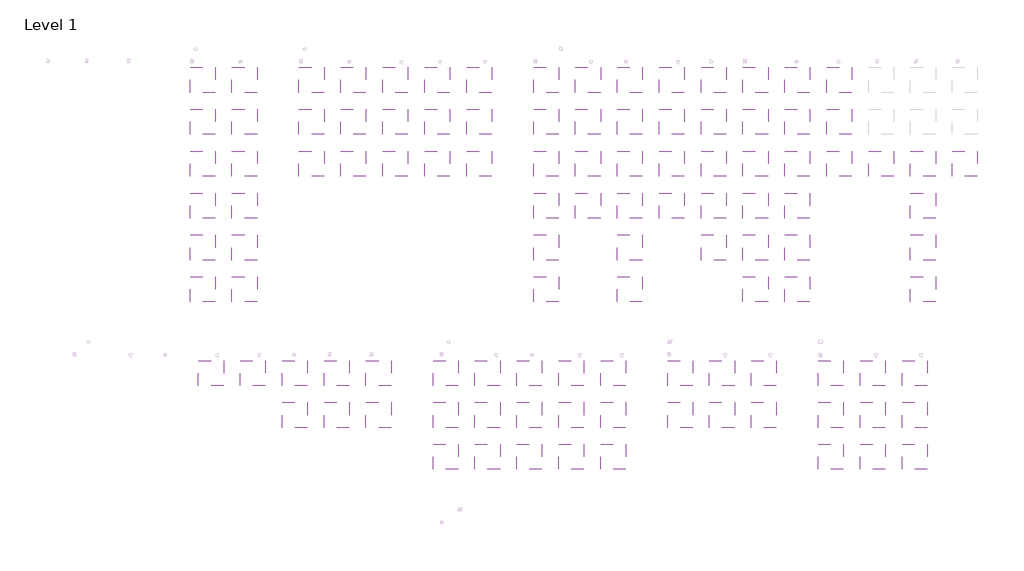
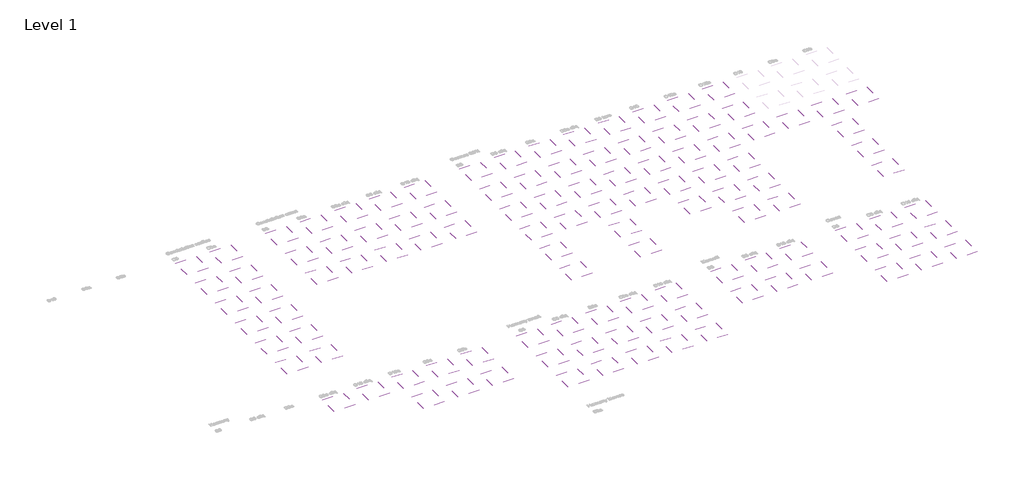
# One storey, part 10 of 90: 111 coverings.
"""IFC4 building model written with IfcOpenShell, lengths in millimetres."""

from ifc_helpers import new_model, si_unit, frame, origin, place, context, project, spatial, polyline, outline, extrude, element, save

model = new_model("IFC4")

# Units and contexts
model_context = context("Model", 3, world=origin())
ifc_project = project(units=[si_unit("LENGTHUNIT", "METRE", prefix="MILLI")], contexts=[model_context])

# Site, building, storey
site = spatial("IfcSite", under=ifc_project)
building = spatial("IfcBuilding", under=site)
storey = spatial("IfcBuildingStorey", under=building, Name="Level 1", Elevation=0.0)

# Coverings
placement = place(None, origin())
element("IfcCovering", 1, at=placement, inside=storey, context=model_context, shape_type="SweptSolid", body=[
    extrude(outline(polyline([(235041.3888175, 62503.2440705), (235041.3888175, 59503.2440705), (232041.3888175, 59503.2440705), (232041.3888175, 62503.2440705), (235041.3888175, 62503.2440705)])), frame((0.0, 0.0, 2600.0), z_axis=(0.0, 0.0, 1.0), x_axis=(1.0, 0.0, 0.0)), (0.0, 0.0, 1.0), 38.0),
])
element("IfcCovering", 2, at=placement, inside=storey, context=model_context, shape_type="SweptSolid", body=[
    extrude(outline(polyline([(235041.3888175, 52503.2440705), (235041.3888175, 49503.2440705), (232041.3888175, 49503.2440705), (232041.3888175, 52503.2440705), (235041.3888175, 52503.2440705)])), frame((0.0, 0.0, 2600.0), z_axis=(0.0, 0.0, 1.0), x_axis=(1.0, 0.0, 0.0)), (0.0, 0.0, 1.0), 38.0),
])
element("IfcCovering", 3, at=placement, inside=storey, context=model_context, shape_type="SweptSolid", body=[
    extrude(outline(polyline([(235041.3888175, 47503.2440705), (235041.3888175, 44503.2440705), (232041.3888175, 44503.2440705), (232041.3888175, 47503.2440705), (235041.3888175, 47503.2440705)])), frame((0.0, 0.0, 2600.0), z_axis=(0.0, 0.0, 1.0), x_axis=(1.0, 0.0, 0.0)), (0.0, 0.0, 1.0), 38.0),
])
element("IfcCovering", 4, at=placement, inside=storey, context=model_context, shape_type="SweptSolid", body=[
    extrude(outline(polyline([(235041.3888175, 37503.2440705), (235041.3888175, 34503.2440705), (232041.3888175, 34503.2440705), (232041.3888175, 37503.2440705), (235041.3888175, 37503.2440705)])), frame((0.0, 0.0, 2600.0), z_axis=(0.0, 0.0, 1.0), x_axis=(1.0, 0.0, 0.0)), (0.0, 0.0, 1.0), 38.0),
])
element("IfcCovering", 5, at=placement, inside=storey, context=model_context, shape_type="SweptSolid", body=[
    extrude(outline(polyline([(245041.3888175, 62503.2440705), (245041.3888175, 59503.2440705), (242041.3888175, 59503.2440705), (242041.3888175, 62503.2440705), (245041.3888175, 62503.2440705)])), frame((0.0, 0.0, 2600.0), z_axis=(0.0, 0.0, 1.0), x_axis=(1.0, 0.0, 0.0)), (0.0, 0.0, 1.0), 38.0),
])
element("IfcCovering", 6, at=placement, inside=storey, context=model_context, shape_type="SweptSolid", body=[
    extrude(outline(polyline([(245041.3888175, 52503.2440705), (245041.3888175, 49503.2440705), (242041.3888175, 49503.2440705), (242041.3888175, 52503.2440705), (245041.3888175, 52503.2440705)])), frame((0.0, 0.0, 2600.0), z_axis=(0.0, 0.0, 1.0), x_axis=(1.0, 0.0, 0.0)), (0.0, 0.0, 1.0), 38.0),
])
element("IfcCovering", 7, at=placement, inside=storey, context=model_context, shape_type="SweptSolid", body=[
    extrude(outline(polyline([(245041.3888175, 47503.2440705), (245041.3888175, 44503.2440705), (242041.3888175, 44503.2440705), (242041.3888175, 47503.2440705), (245041.3888175, 47503.2440705)])), frame((0.0, 0.0, 2600.0), z_axis=(0.0, 0.0, 1.0), x_axis=(1.0, 0.0, 0.0)), (0.0, 0.0, 1.0), 38.0),
])
element("IfcCovering", 8, at=placement, inside=storey, context=model_context, shape_type="SweptSolid", body=[
    extrude(outline(polyline([(245041.3888175, 37503.2440705), (245041.3888175, 34503.2440705), (242041.3888175, 34503.2440705), (242041.3888175, 37503.2440705), (245041.3888175, 37503.2440705)])), frame((0.0, 0.0, 2600.0), z_axis=(0.0, 0.0, 1.0), x_axis=(1.0, 0.0, 0.0)), (0.0, 0.0, 1.0), 38.0),
])
element("IfcCovering", 9, at=placement, inside=storey, context=model_context, shape_type="SweptSolid", body=[
    extrude(outline(polyline([(260041.3888175, 62503.2440705), (260041.3888175, 59503.2440705), (257041.3888175, 59503.2440705), (257041.3888175, 62503.2440705), (260041.3888175, 62503.2440705)])), frame((0.0, 0.0, 2600.0), z_axis=(0.0, 0.0, 1.0), x_axis=(1.0, 0.0, 0.0)), (0.0, 0.0, 1.0), 38.0),
])
element("IfcCovering", 10, at=placement, inside=storey, context=model_context, shape_type="SweptSolid", body=[
    extrude(outline(polyline([(260041.3888175, 52503.2440705), (260041.3888175, 49503.2440705), (257041.3888175, 49503.2440705), (257041.3888175, 52503.2440705), (260041.3888175, 52503.2440705)])), frame((0.0, 0.0, 2600.0), z_axis=(0.0, 0.0, 1.0), x_axis=(1.0, 0.0, 0.0)), (0.0, 0.0, 1.0), 38.0),
])
element("IfcCovering", 11, at=placement, inside=storey, context=model_context, shape_type="SweptSolid", body=[
    extrude(outline(polyline([(260041.3888175, 47503.2440705), (260041.3888175, 44503.2440705), (257041.3888175, 44503.2440705), (257041.3888175, 47503.2440705), (260041.3888175, 47503.2440705)])), frame((0.0, 0.0, 2600.0), z_axis=(0.0, 0.0, 1.0), x_axis=(1.0, 0.0, 0.0)), (0.0, 0.0, 1.0), 38.0),
])
element("IfcCovering", 12, at=placement, inside=storey, context=model_context, shape_type="SweptSolid", body=[
    extrude(outline(polyline([(260041.3888175, 37503.2440705), (260041.3888175, 34503.2440705), (257041.3888175, 34503.2440705), (257041.3888175, 37503.2440705), (260041.3888175, 37503.2440705)])), frame((0.0, 0.0, 2600.0), z_axis=(0.0, 0.0, 1.0), x_axis=(1.0, 0.0, 0.0)), (0.0, 0.0, 1.0), 38.0),
])
element("IfcCovering", 13, at=placement, inside=storey, context=model_context, shape_type="SweptSolid", body=[
    extrude(outline(polyline([(265041.3888175, 62503.2440705), (265041.3888175, 59503.2440705), (262041.3888175, 59503.2440705), (262041.3888175, 62503.2440705), (265041.3888175, 62503.2440705)])), frame((0.0, 0.0, 2600.0), z_axis=(0.0, 0.0, 1.0), x_axis=(1.0, 0.0, 0.0)), (0.0, 0.0, 1.0), 38.0),
])
element("IfcCovering", 14, at=placement, inside=storey, context=model_context, shape_type="SweptSolid", body=[
    extrude(outline(polyline([(265041.3888175, 52503.2440705), (265041.3888175, 49503.2440705), (262041.3888175, 49503.2440705), (262041.3888175, 52503.2440705), (265041.3888175, 52503.2440705)])), frame((0.0, 0.0, 2600.0), z_axis=(0.0, 0.0, 1.0), x_axis=(1.0, 0.0, 0.0)), (0.0, 0.0, 1.0), 38.0),
])
element("IfcCovering", 15, at=placement, inside=storey, context=model_context, shape_type="SweptSolid", body=[
    extrude(outline(polyline([(265041.3888175, 47503.2440705), (265041.3888175, 44503.2440705), (262041.3888175, 44503.2440705), (262041.3888175, 47503.2440705), (265041.3888175, 47503.2440705)])), frame((0.0, 0.0, 2600.0), z_axis=(0.0, 0.0, 1.0), x_axis=(1.0, 0.0, 0.0)), (0.0, 0.0, 1.0), 38.0),
])
element("IfcCovering", 16, at=placement, inside=storey, context=model_context, shape_type="SweptSolid", body=[
    extrude(outline(polyline([(265041.3888175, 37503.2440705), (265041.3888175, 34503.2440705), (262041.3888175, 34503.2440705), (262041.3888175, 37503.2440705), (265041.3888175, 37503.2440705)])), frame((0.0, 0.0, 2600.0), z_axis=(0.0, 0.0, 1.0), x_axis=(1.0, 0.0, 0.0)), (0.0, 0.0, 1.0), 38.0),
])
element("IfcCovering", 17, at=placement, inside=storey, context=model_context, shape_type="SweptSolid", body=[
    extrude(outline(polyline([(270041.3888175, 62503.2440705), (270041.3888175, 59503.2440705), (267041.3888175, 59503.2440705), (267041.3888175, 62503.2440705), (270041.3888175, 62503.2440705)])), frame((0.0, 0.0, 2600.0), z_axis=(0.0, 0.0, 1.0), x_axis=(1.0, 0.0, 0.0)), (0.0, 0.0, 1.0), 38.0),
])
element("IfcCovering", 18, at=placement, inside=storey, context=model_context, shape_type="SweptSolid", body=[
    extrude(outline(polyline([(270041.3888175, 52503.2440705), (270041.3888175, 49503.2440705), (267041.3888175, 49503.2440705), (267041.3888175, 52503.2440705), (270041.3888175, 52503.2440705)])), frame((0.0, 0.0, 2600.0), z_axis=(0.0, 0.0, 1.0), x_axis=(1.0, 0.0, 0.0)), (0.0, 0.0, 1.0), 38.0),
])
element("IfcCovering", 19, at=placement, inside=storey, context=model_context, shape_type="SweptSolid", body=[
    extrude(outline(polyline([(275041.3888175, 52503.2440705), (275041.3888175, 49503.2440705), (272041.3888175, 49503.2440705), (272041.3888175, 52503.2440705), (275041.3888175, 52503.2440705)])), frame((0.0, 0.0, 2600.0), z_axis=(0.0, 0.0, 1.0), x_axis=(1.0, 0.0, 0.0)), (0.0, 0.0, 1.0), 48.0),
])
element("IfcCovering", 20, at=placement, inside=storey, context=model_context, shape_type="SweptSolid", body=[
    extrude(outline(polyline([(280041.3888175, 52503.2440705), (280041.3888175, 49503.2440705), (277041.3888175, 49503.2440705), (277041.3888175, 52503.2440705), (280041.3888175, 52503.2440705)])), frame((0.0, 0.0, 2600.0), z_axis=(0.0, 0.0, 1.0), x_axis=(1.0, 0.0, 0.0)), (0.0, 0.0, 1.0), 105.0),
])
element("IfcCovering", 21, at=placement, inside=storey, context=model_context, shape_type="SweptSolid", body=[
    extrude(outline(polyline([(235041.3888175, 57503.2440705), (235041.3888175, 54503.2440705), (232041.3888175, 54503.2440705), (232041.3888175, 57503.2440705), (235041.3888175, 57503.2440705)])), frame((0.0, 0.0, 2600.0), z_axis=(0.0, 0.0, 1.0), x_axis=(1.0, 0.0, 0.0)), (0.0, 0.0, 1.0), 38.0),
])
element("IfcCovering", 22, at=placement, inside=storey, context=model_context, shape_type="SweptSolid", body=[
    extrude(outline(polyline([(245041.3888175, 57503.2440705), (245041.3888175, 54503.2440705), (242041.3888175, 54503.2440705), (242041.3888175, 57503.2440705), (245041.3888175, 57503.2440705)])), frame((0.0, 0.0, 2600.0), z_axis=(0.0, 0.0, 1.0), x_axis=(1.0, 0.0, 0.0)), (0.0, 0.0, 1.0), 38.0),
])
element("IfcCovering", 23, at=placement, inside=storey, context=model_context, shape_type="SweptSolid", body=[
    extrude(outline(polyline([(260041.3888175, 57503.2440705), (260041.3888175, 54503.2440705), (257041.3888175, 54503.2440705), (257041.3888175, 57503.2440705), (260041.3888175, 57503.2440705)])), frame((0.0, 0.0, 2600.0), z_axis=(0.0, 0.0, 1.0), x_axis=(1.0, 0.0, 0.0)), (0.0, 0.0, 1.0), 38.0),
])
element("IfcCovering", 24, at=placement, inside=storey, context=model_context, shape_type="SweptSolid", body=[
    extrude(outline(polyline([(265041.3888175, 57503.2440705), (265041.3888175, 54503.2440705), (262041.3888175, 54503.2440705), (262041.3888175, 57503.2440705), (265041.3888175, 57503.2440705)])), frame((0.0, 0.0, 2600.0), z_axis=(0.0, 0.0, 1.0), x_axis=(1.0, 0.0, 0.0)), (0.0, 0.0, 1.0), 38.0),
])
element("IfcCovering", 25, at=placement, inside=storey, context=model_context, shape_type="SweptSolid", body=[
    extrude(outline(polyline([(235041.3888175, 42503.2440705), (235041.3888175, 39503.2440705), (232041.3888175, 39503.2440705), (232041.3888175, 42503.2440705), (235041.3888175, 42503.2440705)])), frame((0.0, 0.0, 2600.0), z_axis=(0.0, 0.0, 1.0), x_axis=(1.0, 0.0, 0.0)), (0.0, 0.0, 1.0), 38.0),
])
element("IfcCovering", 26, at=placement, inside=storey, context=model_context, shape_type="SweptSolid", body=[
    extrude(outline(polyline([(245041.3888175, 42503.2440705), (245041.3888175, 39503.2440705), (242041.3888175, 39503.2440705), (242041.3888175, 42503.2440705), (245041.3888175, 42503.2440705)])), frame((0.0, 0.0, 2600.0), z_axis=(0.0, 0.0, 1.0), x_axis=(1.0, 0.0, 0.0)), (0.0, 0.0, 1.0), 38.0),
])
element("IfcCovering", 27, at=placement, inside=storey, context=model_context, shape_type="SweptSolid", body=[
    extrude(outline(polyline([(260041.3888175, 42503.2440705), (260041.3888175, 39503.2440705), (257041.3888175, 39503.2440705), (257041.3888175, 42503.2440705), (260041.3888175, 42503.2440705)])), frame((0.0, 0.0, 2600.0), z_axis=(0.0, 0.0, 1.0), x_axis=(1.0, 0.0, 0.0)), (0.0, 0.0, 1.0), 38.0),
])
element("IfcCovering", 28, at=placement, inside=storey, context=model_context, shape_type="SweptSolid", body=[
    extrude(outline(polyline([(265041.3888175, 42503.2440705), (265041.3888175, 39503.2440705), (262041.3888175, 39503.2440705), (262041.3888175, 42503.2440705), (265041.3888175, 42503.2440705)])), frame((0.0, 0.0, 2600.0), z_axis=(0.0, 0.0, 1.0), x_axis=(1.0, 0.0, 0.0)), (0.0, 0.0, 1.0), 38.0),
])
element("IfcCovering", 29, at=placement, inside=storey, context=model_context, shape_type="SweptSolid", body=[
    extrude(outline(polyline([(270041.3888175, 57503.2440705), (270041.3888175, 54503.2440705), (267041.3888175, 54503.2440705), (267041.3888175, 57503.2440705), (270041.3888175, 57503.2440705)])), frame((0.0, 0.0, 2600.0), z_axis=(0.0, 0.0, 1.0), x_axis=(1.0, 0.0, 0.0)), (0.0, 0.0, 1.0), 38.0),
])
element("IfcCovering", 30, at=placement, inside=storey, context=model_context, shape_type="SweptSolid", body=[
    extrude(outline(polyline([(250041.3888175, 62503.2440705), (250041.3888175, 59503.2440705), (247041.3888175, 59503.2440705), (247041.3888175, 62503.2440705), (250041.3888175, 62503.2440705)])), frame((0.0, 0.0, 2600.0), z_axis=(0.0, 0.0, 1.0), x_axis=(1.0, 0.0, 0.0)), (0.0, 0.0, 1.0), 38.0),
])
element("IfcCovering", 31, at=placement, inside=storey, context=model_context, shape_type="SweptSolid", body=[
    extrude(outline(polyline([(250041.3888175, 57503.2440705), (250041.3888175, 54503.2440705), (247041.3888175, 54503.2440705), (247041.3888175, 57503.2440705), (250041.3888175, 57503.2440705)])), frame((0.0, 0.0, 2600.0), z_axis=(0.0, 0.0, 1.0), x_axis=(1.0, 0.0, 0.0)), (0.0, 0.0, 1.0), 38.0),
])
element("IfcCovering", 32, at=placement, inside=storey, context=model_context, shape_type="SweptSolid", body=[
    extrude(outline(polyline([(250041.3888175, 52503.2440705), (250041.3888175, 49503.2440705), (247041.3888175, 49503.2440705), (247041.3888175, 52503.2440705), (250041.3888175, 52503.2440705)])), frame((0.0, 0.0, 2600.0), z_axis=(0.0, 0.0, 1.0), x_axis=(1.0, 0.0, 0.0)), (0.0, 0.0, 1.0), 38.0),
])
element("IfcCovering", 33, at=placement, inside=storey, context=model_context, shape_type="SweptSolid", body=[
    extrude(outline(polyline([(250041.3888175, 47503.2440705), (250041.3888175, 44503.2440705), (247041.3888175, 44503.2440705), (247041.3888175, 47503.2440705), (250041.3888175, 47503.2440705)])), frame((0.0, 0.0, 2600.0), z_axis=(0.0, 0.0, 1.0), x_axis=(1.0, 0.0, 0.0)), (0.0, 0.0, 1.0), 38.0),
])
element("IfcCovering", 34, at=placement, inside=storey, context=model_context, shape_type="SweptSolid", body=[
    extrude(outline(polyline([(240041.3888175, 62503.2440705), (240041.3888175, 59503.2440705), (237041.3888175, 59503.2440705), (237041.3888175, 62503.2440705), (240041.3888175, 62503.2440705)])), frame((0.0, 0.0, 2600.0), z_axis=(0.0, 0.0, 1.0), x_axis=(1.0, 0.0, 0.0)), (0.0, 0.0, 1.0), 38.0),
])
element("IfcCovering", 35, at=placement, inside=storey, context=model_context, shape_type="SweptSolid", body=[
    extrude(outline(polyline([(240041.3888175, 57503.2440705), (240041.3888175, 54503.2440705), (237041.3888175, 54503.2440705), (237041.3888175, 57503.2440705), (240041.3888175, 57503.2440705)])), frame((0.0, 0.0, 2600.0), z_axis=(0.0, 0.0, 1.0), x_axis=(1.0, 0.0, 0.0)), (0.0, 0.0, 1.0), 38.0),
])
element("IfcCovering", 36, at=placement, inside=storey, context=model_context, shape_type="SweptSolid", body=[
    extrude(outline(polyline([(240041.3888175, 52503.2440705), (240041.3888175, 49503.2440705), (237041.3888175, 49503.2440705), (237041.3888175, 52503.2440705), (240041.3888175, 52503.2440705)])), frame((0.0, 0.0, 2600.0), z_axis=(0.0, 0.0, 1.0), x_axis=(1.0, 0.0, 0.0)), (0.0, 0.0, 1.0), 38.0),
])
element("IfcCovering", 37, at=placement, inside=storey, context=model_context, shape_type="SweptSolid", body=[
    extrude(outline(polyline([(240041.3888175, 47503.2440705), (240041.3888175, 44503.2440705), (237041.3888175, 44503.2440705), (237041.3888175, 47503.2440705), (240041.3888175, 47503.2440705)])), frame((0.0, 0.0, 2600.0), z_axis=(0.0, 0.0, 1.0), x_axis=(1.0, 0.0, 0.0)), (0.0, 0.0, 1.0), 38.0),
])
element("IfcCovering", 38, at=placement, inside=storey, context=model_context, shape_type="SweptSolid", body=[
    extrude(outline(polyline([(255041.3888175, 62503.2440705), (255041.3888175, 59503.2440705), (252041.3888175, 59503.2440705), (252041.3888175, 62503.2440705), (255041.3888175, 62503.2440705)])), frame((0.0, 0.0, 2600.0), z_axis=(0.0, 0.0, 1.0), x_axis=(1.0, 0.0, 0.0)), (0.0, 0.0, 1.0), 38.0),
])
element("IfcCovering", 39, at=placement, inside=storey, context=model_context, shape_type="SweptSolid", body=[
    extrude(outline(polyline([(255041.3888175, 52503.2440705), (255041.3888175, 49503.2440705), (252041.3888175, 49503.2440705), (252041.3888175, 52503.2440705), (255041.3888175, 52503.2440705)])), frame((0.0, 0.0, 2600.0), z_axis=(0.0, 0.0, 1.0), x_axis=(1.0, 0.0, 0.0)), (0.0, 0.0, 1.0), 105.0),
])
element("IfcCovering", 40, at=placement, inside=storey, context=model_context, shape_type="SweptSolid", body=[
    extrude(outline(polyline([(255041.3888175, 57503.2440705), (255041.3888175, 54503.2440705), (252041.3888175, 54503.2440705), (252041.3888175, 57503.2440705), (255041.3888175, 57503.2440705)])), frame((0.0, 0.0, 2600.0), z_axis=(0.0, 0.0, 1.0), x_axis=(1.0, 0.0, 0.0)), (0.0, 0.0, 1.0), 38.0),
])
element("IfcCovering", 41, at=placement, inside=storey, context=model_context, shape_type="SweptSolid", body=[
    extrude(outline(polyline([(255041.3888175, 47503.2440705), (255041.3888175, 44503.2440705), (252041.3888175, 44503.2440705), (252041.3888175, 47503.2440705), (255041.3888175, 47503.2440705)])), frame((0.0, 0.0, 2600.0), z_axis=(0.0, 0.0, 1.0), x_axis=(1.0, 0.0, 0.0)), (0.0, 0.0, 1.0), 38.0),
])
element("IfcCovering", 42, at=placement, inside=storey, context=model_context, shape_type="SweptSolid", body=[
    extrude(outline(polyline([(255041.3888175, 42503.2440705), (255041.3888175, 39503.2440705), (252041.3888175, 39503.2440705), (252041.3888175, 42503.2440705), (255041.3888175, 42503.2440705)])), frame((0.0, 0.0, 2600.0), z_axis=(0.0, 0.0, 1.0), x_axis=(1.0, 0.0, 0.0)), (0.0, 0.0, 1.0), 38.0),
])
element("IfcCovering", 43, at=placement, inside=storey, context=model_context, shape_type="SweptSolid", body=[
    extrude(outline(polyline([(207041.3888175, 62503.2440705), (207041.3888175, 59503.2440705), (204041.3888175, 59503.2440705), (204041.3888175, 62503.2440705), (207041.3888175, 62503.2440705)])), frame((0.0, 0.0, 2600.0), z_axis=(0.0, 0.0, 1.0), x_axis=(1.0, 0.0, 0.0)), (0.0, 0.0, 1.0), 37.0),
])
element("IfcCovering", 44, at=placement, inside=storey, context=model_context, shape_type="SweptSolid", body=[
    extrude(outline(polyline([(207041.3888175, 52503.2440705), (207041.3888175, 49503.2440705), (204041.3888175, 49503.2440705), (204041.3888175, 52503.2440705), (207041.3888175, 52503.2440705)])), frame((0.0, 0.0, 2600.0), z_axis=(0.0, 0.0, 1.0), x_axis=(1.0, 0.0, 0.0)), (0.0, 0.0, 1.0), 37.0),
])
element("IfcCovering", 45, at=placement, inside=storey, context=model_context, shape_type="SweptSolid", body=[
    extrude(outline(polyline([(212041.3888175, 62503.2440705), (212041.3888175, 59503.2440705), (209041.3888175, 59503.2440705), (209041.3888175, 62503.2440705), (212041.3888175, 62503.2440705)])), frame((0.0, 0.0, 2600.0), z_axis=(0.0, 0.0, 1.0), x_axis=(1.0, 0.0, 0.0)), (0.0, 0.0, 1.0), 37.0),
])
element("IfcCovering", 46, at=placement, inside=storey, context=model_context, shape_type="SweptSolid", body=[
    extrude(outline(polyline([(212041.3888175, 52503.2440705), (212041.3888175, 49503.2440705), (209041.3888175, 49503.2440705), (209041.3888175, 52503.2440705), (212041.3888175, 52503.2440705)])), frame((0.0, 0.0, 2600.0), z_axis=(0.0, 0.0, 1.0), x_axis=(1.0, 0.0, 0.0)), (0.0, 0.0, 1.0), 37.0),
])
element("IfcCovering", 47, at=placement, inside=storey, context=model_context, shape_type="SweptSolid", body=[
    extrude(outline(polyline([(227041.3888175, 62503.2440705), (227041.3888175, 59503.2440705), (224041.3888175, 59503.2440705), (224041.3888175, 62503.2440705), (227041.3888175, 62503.2440705)])), frame((0.0, 0.0, 2600.0), z_axis=(0.0, 0.0, 1.0), x_axis=(1.0, 0.0, 0.0)), (0.0, 0.0, 1.0), 37.0),
])
element("IfcCovering", 48, at=placement, inside=storey, context=model_context, shape_type="SweptSolid", body=[
    extrude(outline(polyline([(207041.3888175, 57503.2440705), (207041.3888175, 54503.2440705), (204041.3888175, 54503.2440705), (204041.3888175, 57503.2440705), (207041.3888175, 57503.2440705)])), frame((0.0, 0.0, 2600.0), z_axis=(0.0, 0.0, 1.0), x_axis=(1.0, 0.0, 0.0)), (0.0, 0.0, 1.0), 37.0),
])
element("IfcCovering", 49, at=placement, inside=storey, context=model_context, shape_type="SweptSolid", body=[
    extrude(outline(polyline([(212041.3888175, 57503.2440705), (212041.3888175, 54503.2440705), (209041.3888175, 54503.2440705), (209041.3888175, 57503.2440705), (212041.3888175, 57503.2440705)])), frame((0.0, 0.0, 2600.0), z_axis=(0.0, 0.0, 1.0), x_axis=(1.0, 0.0, 0.0)), (0.0, 0.0, 1.0), 37.0),
])
element("IfcCovering", 50, at=placement, inside=storey, context=model_context, shape_type="SweptSolid", body=[
    extrude(outline(polyline([(227041.3888175, 52503.2440705), (227041.3888175, 49503.2440705), (224041.3888175, 49503.2440705), (224041.3888175, 52503.2440705), (227041.3888175, 52503.2440705)])), frame((0.0, 0.0, 2600.0), z_axis=(0.0, 0.0, 1.0), x_axis=(1.0, 0.0, 0.0)), (0.0, 0.0, 1.0), 37.0),
])
element("IfcCovering", 51, at=placement, inside=storey, context=model_context, shape_type="SweptSolid", body=[
    extrude(outline(polyline([(217041.3888175, 52503.2440705), (217041.3888175, 49503.2440705), (214041.3888175, 49503.2440705), (214041.3888175, 52503.2440705), (217041.3888175, 52503.2440705)])), frame((0.0, 0.0, 2600.0), z_axis=(0.0, 0.0, 1.0), x_axis=(1.0, 0.0, 0.0)), (0.0, 0.0, 1.0), 37.0),
])
element("IfcCovering", 52, at=placement, inside=storey, context=model_context, shape_type="SweptSolid", body=[
    extrude(outline(polyline([(217041.3888175, 57503.2440705), (217041.3888175, 54503.2440705), (214041.3888175, 54503.2440705), (214041.3888175, 57503.2440705), (217041.3888175, 57503.2440705)])), frame((0.0, 0.0, 2600.0), z_axis=(0.0, 0.0, 1.0), x_axis=(1.0, 0.0, 0.0)), (0.0, 0.0, 1.0), 37.0),
])
element("IfcCovering", 53, at=placement, inside=storey, context=model_context, shape_type="SweptSolid", body=[
    extrude(outline(polyline([(217041.3888175, 62503.2440705), (217041.3888175, 59503.2440705), (214041.3888175, 59503.2440705), (214041.3888175, 62503.2440705), (217041.3888175, 62503.2440705)])), frame((0.0, 0.0, 2600.0), z_axis=(0.0, 0.0, 1.0), x_axis=(1.0, 0.0, 0.0)), (0.0, 0.0, 1.0), 37.0),
])
element("IfcCovering", 54, at=placement, inside=storey, context=model_context, shape_type="SweptSolid", body=[
    extrude(outline(polyline([(222041.3888175, 52503.2440705), (222041.3888175, 49503.2440705), (219041.3888175, 49503.2440705), (219041.3888175, 52503.2440705), (222041.3888175, 52503.2440705)])), frame((0.0, 0.0, 2600.0), z_axis=(0.0, 0.0, 1.0), x_axis=(1.0, 0.0, 0.0)), (0.0, 0.0, 1.0), 37.0),
])
element("IfcCovering", 55, at=placement, inside=storey, context=model_context, shape_type="SweptSolid", body=[
    extrude(outline(polyline([(222041.3888175, 57503.2440705), (222041.3888175, 54503.2440705), (219041.3888175, 54503.2440705), (219041.3888175, 57503.2440705), (222041.3888175, 57503.2440705)])), frame((0.0, 0.0, 2600.0), z_axis=(0.0, 0.0, 1.0), x_axis=(1.0, 0.0, 0.0)), (0.0, 0.0, 1.0), 37.0),
])
element("IfcCovering", 56, at=placement, inside=storey, context=model_context, shape_type="SweptSolid", body=[
    extrude(outline(polyline([(222041.3888175, 62503.2440705), (222041.3888175, 59503.2440705), (219041.3888175, 59503.2440705), (219041.3888175, 62503.2440705), (222041.3888175, 62503.2440705)])), frame((0.0, 0.0, 2600.0), z_axis=(0.0, 0.0, 1.0), x_axis=(1.0, 0.0, 0.0)), (0.0, 0.0, 1.0), 37.0),
])
element("IfcCovering", 57, at=placement, inside=storey, context=model_context, shape_type="SweptSolid", body=[
    extrude(outline(polyline([(194041.3888175, 62503.2440705), (194041.3888175, 59503.2440705), (191041.3888175, 59503.2440705), (191041.3888175, 62503.2440705), (194041.3888175, 62503.2440705)])), frame((0.0, 0.0, 2600.0), z_axis=(0.0, 0.0, 1.0), x_axis=(1.0, 0.0, 0.0)), (0.0, 0.0, 1.0), 38.0),
])
element("IfcCovering", 58, at=placement, inside=storey, context=model_context, shape_type="SweptSolid", body=[
    extrude(outline(polyline([(194041.3888175, 52503.2440705), (194041.3888175, 49503.2440705), (191041.3888175, 49503.2440705), (191041.3888175, 52503.2440705), (194041.3888175, 52503.2440705)])), frame((0.0, 0.0, 2600.0), z_axis=(0.0, 0.0, 1.0), x_axis=(1.0, 0.0, 0.0)), (0.0, 0.0, 1.0), 38.0),
])
element("IfcCovering", 59, at=placement, inside=storey, context=model_context, shape_type="SweptSolid", body=[
    extrude(outline(polyline([(199041.3888175, 62503.2440705), (199041.3888175, 59503.2440705), (196041.3888175, 59503.2440705), (196041.3888175, 62503.2440705), (199041.3888175, 62503.2440705)])), frame((0.0, 0.0, 2600.0), z_axis=(0.0, 0.0, 1.0), x_axis=(1.0, 0.0, 0.0)), (0.0, 0.0, 1.0), 38.0),
])
element("IfcCovering", 60, at=placement, inside=storey, context=model_context, shape_type="SweptSolid", body=[
    extrude(outline(polyline([(199041.3888175, 52503.2440705), (199041.3888175, 49503.2440705), (196041.3888175, 49503.2440705), (196041.3888175, 52503.2440705), (199041.3888175, 52503.2440705)])), frame((0.0, 0.0, 2600.0), z_axis=(0.0, 0.0, 1.0), x_axis=(1.0, 0.0, 0.0)), (0.0, 0.0, 1.0), 38.0),
])
element("IfcCovering", 61, at=placement, inside=storey, context=model_context, shape_type="SweptSolid", body=[
    extrude(outline(polyline([(194041.3888175, 57503.2440705), (194041.3888175, 54503.2440705), (191041.3888175, 54503.2440705), (191041.3888175, 57503.2440705), (194041.3888175, 57503.2440705)])), frame((0.0, 0.0, 2600.0), z_axis=(0.0, 0.0, 1.0), x_axis=(1.0, 0.0, 0.0)), (0.0, 0.0, 1.0), 38.0),
])
element("IfcCovering", 62, at=placement, inside=storey, context=model_context, shape_type="SweptSolid", body=[
    extrude(outline(polyline([(199041.3888175, 57503.2440705), (199041.3888175, 54503.2440705), (196041.3888175, 54503.2440705), (196041.3888175, 57503.2440705), (199041.3888175, 57503.2440705)])), frame((0.0, 0.0, 2600.0), z_axis=(0.0, 0.0, 1.0), x_axis=(1.0, 0.0, 0.0)), (0.0, 0.0, 1.0), 38.0),
])
element("IfcCovering", 63, at=placement, inside=storey, context=model_context, shape_type="SweptSolid", body=[
    extrude(outline(polyline([(194041.3888175, 47503.2440705), (194041.3888175, 44503.2440705), (191041.3888175, 44503.2440705), (191041.3888175, 47503.2440705), (194041.3888175, 47503.2440705)])), frame((0.0, 0.0, 2600.0), z_axis=(0.0, 0.0, 1.0), x_axis=(1.0, 0.0, 0.0)), (0.0, 0.0, 1.0), 38.0),
])
element("IfcCovering", 64, at=placement, inside=storey, context=model_context, shape_type="SweptSolid", body=[
    extrude(outline(polyline([(194041.3888175, 37503.2440705), (194041.3888175, 34503.2440705), (191041.3888175, 34503.2440705), (191041.3888175, 37503.2440705), (194041.3888175, 37503.2440705)])), frame((0.0, 0.0, 2600.0), z_axis=(0.0, 0.0, 1.0), x_axis=(1.0, 0.0, 0.0)), (0.0, 0.0, 1.0), 38.0),
])
element("IfcCovering", 65, at=placement, inside=storey, context=model_context, shape_type="SweptSolid", body=[
    extrude(outline(polyline([(194041.3888175, 42503.2440705), (194041.3888175, 39503.2440705), (191041.3888175, 39503.2440705), (191041.3888175, 42503.2440705), (194041.3888175, 42503.2440705)])), frame((0.0, 0.0, 2600.0), z_axis=(0.0, 0.0, 1.0), x_axis=(1.0, 0.0, 0.0)), (0.0, 0.0, 1.0), 38.0),
])
element("IfcCovering", 66, at=placement, inside=storey, context=model_context, shape_type="SweptSolid", body=[
    extrude(outline(polyline([(199041.3888175, 37503.2440705), (199041.3888175, 34503.2440705), (196041.3888175, 34503.2440705), (196041.3888175, 37503.2440705), (199041.3888175, 37503.2440705)])), frame((0.0, 0.0, 2600.0), z_axis=(0.0, 0.0, 1.0), x_axis=(1.0, 0.0, 0.0)), (0.0, 0.0, 1.0), 38.0),
])
element("IfcCovering", 67, at=placement, inside=storey, context=model_context, shape_type="SweptSolid", body=[
    extrude(outline(polyline([(195041.3888175, 27503.2440705), (195041.3888175, 24503.2440705), (192041.3888175, 24503.2440705), (192041.3888175, 27503.2440705), (195041.3888175, 27503.2440705)])), frame((0.0, 0.0, 2600.0), z_axis=(0.0, 0.0, 1.0), x_axis=(1.0, 0.0, 0.0)), (0.0, 0.0, 1.0), 38.0),
])
element("IfcCovering", 68, at=placement, inside=storey, context=model_context, shape_type="SweptSolid", body=[
    extrude(outline(polyline([(200041.3888175, 27503.2440705), (200041.3888175, 24503.2440705), (197041.3888175, 24503.2440705), (197041.3888175, 27503.2440705), (200041.3888175, 27503.2440705)])), frame((0.0, 0.0, 2600.0), z_axis=(0.0, 0.0, 1.0), x_axis=(1.0, 0.0, 0.0)), (0.0, 0.0, 1.0), 38.0),
])
element("IfcCovering", 69, at=placement, inside=storey, context=model_context, shape_type="SweptSolid", body=[
    extrude(outline(polyline([(205041.3888175, 27503.2440705), (205041.3888175, 24503.2440705), (202041.3888175, 24503.2440705), (202041.3888175, 27503.2440705), (205041.3888175, 27503.2440705)])), frame((0.0, 0.0, 2600.0), z_axis=(0.0, 0.0, 1.0), x_axis=(1.0, 0.0, 0.0)), (0.0, 0.0, 1.0), 38.0),
])
element("IfcCovering", 70, at=placement, inside=storey, context=model_context, shape_type="SweptSolid", body=[
    extrude(outline(polyline([(210041.3888175, 27503.2440705), (210041.3888175, 24503.2440705), (207041.3888175, 24503.2440705), (207041.3888175, 27503.2440705), (210041.3888175, 27503.2440705)])), frame((0.0, 0.0, 2600.0), z_axis=(0.0, 0.0, 1.0), x_axis=(1.0, 0.0, 0.0)), (0.0, 0.0, 1.0), 43.0),
])
element("IfcCovering", 71, at=placement, inside=storey, context=model_context, shape_type="SweptSolid", body=[
    extrude(outline(polyline([(215041.3888175, 27503.2440705), (215041.3888175, 24503.2440705), (212041.3888175, 24503.2440705), (212041.3888175, 27503.2440705), (215041.3888175, 27503.2440705)])), frame((0.0, 0.0, 2600.0), z_axis=(0.0, 0.0, 1.0), x_axis=(1.0, 0.0, 0.0)), (0.0, 0.0, 1.0), 43.0),
])
element("IfcCovering", 72, at=placement, inside=storey, context=model_context, shape_type="SweptSolid", body=[
    extrude(outline(polyline([(210041.3888175, 22503.2440705), (210041.3888175, 19503.2440705), (207041.3888175, 19503.2440705), (207041.3888175, 22503.2440705), (210041.3888175, 22503.2440705)])), frame((0.0, 0.0, 2600.0), z_axis=(0.0, 0.0, 1.0), x_axis=(1.0, 0.0, 0.0)), (0.0, 0.0, 1.0), 43.0),
])
element("IfcCovering", 73, at=placement, inside=storey, context=model_context, shape_type="SweptSolid", body=[
    extrude(outline(polyline([(215041.3888175, 22503.2440705), (215041.3888175, 19503.2440705), (212041.3888175, 19503.2440705), (212041.3888175, 22503.2440705), (215041.3888175, 22503.2440705)])), frame((0.0, 0.0, 2600.0), z_axis=(0.0, 0.0, 1.0), x_axis=(1.0, 0.0, 0.0)), (0.0, 0.0, 1.0), 43.0),
])
element("IfcCovering", 74, at=placement, inside=storey, context=model_context, shape_type="SweptSolid", body=[
    extrude(outline(polyline([(228041.3888175, 27503.2440705), (228041.3888175, 24503.2440705), (225041.3888175, 24503.2440705), (225041.3888175, 27503.2440705), (228041.3888175, 27503.2440705)])), frame((0.0, 0.0, 2600.0), z_axis=(0.0, 0.0, 1.0), x_axis=(1.0, 0.0, 0.0)), (0.0, 0.0, 1.0), 37.0),
])
element("IfcCovering", 75, at=placement, inside=storey, context=model_context, shape_type="SweptSolid", body=[
    extrude(outline(polyline([(228041.3888175, 22503.2440705), (228041.3888175, 19503.2440705), (225041.3888175, 19503.2440705), (225041.3888175, 22503.2440705), (228041.3888175, 22503.2440705)])), frame((0.0, 0.0, 2600.0), z_axis=(0.0, 0.0, 1.0), x_axis=(1.0, 0.0, 0.0)), (0.0, 0.0, 1.0), 37.0),
])
element("IfcCovering", 76, at=placement, inside=storey, context=model_context, shape_type="SweptSolid", body=[
    extrude(outline(polyline([(228041.3888175, 17503.2440705), (228041.3888175, 14503.2440705), (225041.3888175, 14503.2440705), (225041.3888175, 17503.2440705), (228041.3888175, 17503.2440705)])), frame((0.0, 0.0, 2600.0), z_axis=(0.0, 0.0, 1.0), x_axis=(1.0, 0.0, 0.0)), (0.0, 0.0, 1.0), 37.0),
])
element("IfcCovering", 77, at=placement, inside=storey, context=model_context, shape_type="SweptSolid", body=[
    extrude(outline(polyline([(233041.3888175, 27503.2440705), (233041.3888175, 24503.2440705), (230041.3888175, 24503.2440705), (230041.3888175, 27503.2440705), (233041.3888175, 27503.2440705)])), frame((0.0, 0.0, 2600.0), z_axis=(0.0, 0.0, 1.0), x_axis=(1.0, 0.0, 0.0)), (0.0, 0.0, 1.0), 37.0),
])
element("IfcCovering", 78, at=placement, inside=storey, context=model_context, shape_type="SweptSolid", body=[
    extrude(outline(polyline([(233041.3888175, 22503.2440705), (233041.3888175, 19503.2440705), (230041.3888175, 19503.2440705), (230041.3888175, 22503.2440705), (233041.3888175, 22503.2440705)])), frame((0.0, 0.0, 2600.0), z_axis=(0.0, 0.0, 1.0), x_axis=(1.0, 0.0, 0.0)), (0.0, 0.0, 1.0), 37.0),
])
element("IfcCovering", 79, at=placement, inside=storey, context=model_context, shape_type="SweptSolid", body=[
    extrude(outline(polyline([(233041.3888175, 17503.2440705), (233041.3888175, 14503.2440705), (230041.3888175, 14503.2440705), (230041.3888175, 17503.2440705), (233041.3888175, 17503.2440705)])), frame((0.0, 0.0, 2600.0), z_axis=(0.0, 0.0, 1.0), x_axis=(1.0, 0.0, 0.0)), (0.0, 0.0, 1.0), 37.0),
])
element("IfcCovering", 80, at=placement, inside=storey, context=model_context, shape_type="SweptSolid", body=[
    extrude(outline(polyline([(238041.3888175, 27503.2440705), (238041.3888175, 24503.2440705), (235041.3888175, 24503.2440705), (235041.3888175, 27503.2440705), (238041.3888175, 27503.2440705)])), frame((0.0, 0.0, 2600.0), z_axis=(0.0, 0.0, 1.0), x_axis=(1.0, 0.0, 0.0)), (0.0, 0.0, 1.0), 37.0),
])
element("IfcCovering", 81, at=placement, inside=storey, context=model_context, shape_type="SweptSolid", body=[
    extrude(outline(polyline([(238041.3888175, 22503.2440705), (238041.3888175, 19503.2440705), (235041.3888175, 19503.2440705), (235041.3888175, 22503.2440705), (238041.3888175, 22503.2440705)])), frame((0.0, 0.0, 2600.0), z_axis=(0.0, 0.0, 1.0), x_axis=(1.0, 0.0, 0.0)), (0.0, 0.0, 1.0), 37.0),
])
element("IfcCovering", 82, at=placement, inside=storey, context=model_context, shape_type="SweptSolid", body=[
    extrude(outline(polyline([(238041.3888175, 17503.2440705), (238041.3888175, 14503.2440705), (235041.3888175, 14503.2440705), (235041.3888175, 17503.2440705), (238041.3888175, 17503.2440705)])), frame((0.0, 0.0, 2600.0), z_axis=(0.0, 0.0, 1.0), x_axis=(1.0, 0.0, 0.0)), (0.0, 0.0, 1.0), 37.0),
])
element("IfcCovering", 83, at=placement, inside=storey, context=model_context, shape_type="SweptSolid", body=[
    extrude(outline(polyline([(243041.3888175, 27503.2440705), (243041.3888175, 24503.2440705), (240041.3888175, 24503.2440705), (240041.3888175, 27503.2440705), (243041.3888175, 27503.2440705)])), frame((0.0, 0.0, 2600.0), z_axis=(0.0, 0.0, 1.0), x_axis=(1.0, 0.0, 0.0)), (0.0, 0.0, 1.0), 37.0),
])
element("IfcCovering", 84, at=placement, inside=storey, context=model_context, shape_type="SweptSolid", body=[
    extrude(outline(polyline([(251041.3888175, 27503.2440705), (251041.3888175, 24503.2440705), (248041.3888175, 24503.2440705), (248041.3888175, 27503.2440705), (251041.3888175, 27503.2440705)])), frame((0.0, 0.0, 2600.0), z_axis=(0.0, 0.0, 1.0), x_axis=(1.0, 0.0, 0.0)), (0.0, 0.0, 1.0), 38.0),
])
element("IfcCovering", 85, at=placement, inside=storey, context=model_context, shape_type="SweptSolid", body=[
    extrude(outline(polyline([(251041.3888175, 22503.2440705), (251041.3888175, 19503.2440705), (248041.3888175, 19503.2440705), (248041.3888175, 22503.2440705), (251041.3888175, 22503.2440705)])), frame((0.0, 0.0, 2600.0), z_axis=(0.0, 0.0, 1.0), x_axis=(1.0, 0.0, 0.0)), (0.0, 0.0, 1.0), 38.0),
])
element("IfcCovering", 86, at=placement, inside=storey, context=model_context, shape_type="SweptSolid", body=[
    extrude(outline(polyline([(256041.3888175, 27503.2440705), (256041.3888175, 24503.2440705), (253041.3888175, 24503.2440705), (253041.3888175, 27503.2440705), (256041.3888175, 27503.2440705)])), frame((0.0, 0.0, 2600.0), z_axis=(0.0, 0.0, 1.0), x_axis=(1.0, 0.0, 0.0)), (0.0, 0.0, 1.0), 38.0),
])
element("IfcCovering", 87, at=placement, inside=storey, context=model_context, shape_type="SweptSolid", body=[
    extrude(outline(polyline([(256041.3888175, 22503.2440705), (256041.3888175, 19503.2440705), (253041.3888175, 19503.2440705), (253041.3888175, 22503.2440705), (256041.3888175, 22503.2440705)])), frame((0.0, 0.0, 2600.0), z_axis=(0.0, 0.0, 1.0), x_axis=(1.0, 0.0, 0.0)), (0.0, 0.0, 1.0), 38.0),
])
element("IfcCovering", 88, at=placement, inside=storey, context=model_context, shape_type="SweptSolid", body=[
    extrude(outline(polyline([(280041.3888175, 47503.2440705), (280041.3888175, 44503.2440705), (277041.3888175, 44503.2440705), (277041.3888175, 47503.2440705), (280041.3888175, 47503.2440705)])), frame((0.0, 0.0, 2600.0), z_axis=(0.0, 0.0, 1.0), x_axis=(1.0, 0.0, 0.0)), (0.0, 0.0, 1.0), 105.0),
])
element("IfcCovering", 89, at=placement, inside=storey, context=model_context, shape_type="SweptSolid", body=[
    extrude(outline(polyline([(280041.3888175, 37503.2440705), (280041.3888175, 34503.2440705), (277041.3888175, 34503.2440705), (277041.3888175, 37503.2440705), (280041.3888175, 37503.2440705)])), frame((0.0, 0.0, 2600.0), z_axis=(0.0, 0.0, 1.0), x_axis=(1.0, 0.0, 0.0)), (0.0, 0.0, 1.0), 105.0),
])
element("IfcCovering", 90, at=placement, inside=storey, context=model_context, shape_type="SweptSolid", body=[
    extrude(outline(polyline([(280041.3888175, 42503.2440705), (280041.3888175, 39503.2440705), (277041.3888175, 39503.2440705), (277041.3888175, 42503.2440705), (280041.3888175, 42503.2440705)])), frame((0.0, 0.0, 2600.0), z_axis=(0.0, 0.0, 1.0), x_axis=(1.0, 0.0, 0.0)), (0.0, 0.0, 1.0), 105.0),
])
element("IfcCovering", 91, at=placement, inside=storey, context=model_context, shape_type="SweptSolid", body=[
    extrude(outline(polyline([(199041.3888175, 47503.2440705), (199041.3888175, 44503.2440705), (196041.3888175, 44503.2440705), (196041.3888175, 47503.2440705), (199041.3888175, 47503.2440705)])), frame((0.0, 0.0, 2600.0), z_axis=(0.0, 0.0, 1.0), x_axis=(1.0, 0.0, 0.0)), (0.0, 0.0, 1.0), 38.0),
])
element("IfcCovering", 92, at=placement, inside=storey, context=model_context, shape_type="SweptSolid", body=[
    extrude(outline(polyline([(199041.3888175, 42503.2440705), (199041.3888175, 39503.2440705), (196041.3888175, 39503.2440705), (196041.3888175, 42503.2440705), (199041.3888175, 42503.2440705)])), frame((0.0, 0.0, 2600.0), z_axis=(0.0, 0.0, 1.0), x_axis=(1.0, 0.0, 0.0)), (0.0, 0.0, 1.0), 38.0),
])
element("IfcCovering", 93, at=placement, inside=storey, context=model_context, shape_type="SweptSolid", body=[
    extrude(outline(polyline([(261041.3888175, 27503.2440705), (261041.3888175, 24503.2440705), (258041.3888175, 24503.2440705), (258041.3888175, 27503.2440705), (261041.3888175, 27503.2440705)])), frame((0.0, 0.0, 2600.0), z_axis=(0.0, 0.0, 1.0), x_axis=(1.0, 0.0, 0.0)), (0.0, 0.0, 1.0), 38.0),
])
element("IfcCovering", 94, at=placement, inside=storey, context=model_context, shape_type="SweptSolid", body=[
    extrude(outline(polyline([(261041.3888175, 22503.2440705), (261041.3888175, 19503.2440705), (258041.3888175, 19503.2440705), (258041.3888175, 22503.2440705), (261041.3888175, 22503.2440705)])), frame((0.0, 0.0, 2600.0), z_axis=(0.0, 0.0, 1.0), x_axis=(1.0, 0.0, 0.0)), (0.0, 0.0, 1.0), 38.0),
])
element("IfcCovering", 95, at=placement, inside=storey, context=model_context, shape_type="SweptSolid", body=[
    extrude(outline(polyline([(243041.3888175, 17503.2440705), (243041.3888175, 14503.2440705), (240041.3888175, 14503.2440705), (240041.3888175, 17503.2440705), (243041.3888175, 17503.2440705)])), frame((0.0, 0.0, 2600.0), z_axis=(0.0, 0.0, 1.0), x_axis=(1.0, 0.0, 0.0)), (0.0, 0.0, 1.0), 37.0),
])
element("IfcCovering", 96, at=placement, inside=storey, context=model_context, shape_type="SweptSolid", body=[
    extrude(outline(polyline([(243041.3888175, 22503.2440705), (243041.3888175, 19503.2440705), (240041.3888175, 19503.2440705), (240041.3888175, 22503.2440705), (243041.3888175, 22503.2440705)])), frame((0.0, 0.0, 2600.0), z_axis=(0.0, 0.0, 1.0), x_axis=(1.0, 0.0, 0.0)), (0.0, 0.0, 1.0), 37.0),
])
element("IfcCovering", 97, at=placement, inside=storey, context=model_context, shape_type="SweptSolid", body=[
    extrude(outline(polyline([(205041.3888175, 22503.2440705), (205041.3888175, 19503.2440705), (202041.3888175, 19503.2440705), (202041.3888175, 22503.2440705), (205041.3888175, 22503.2440705)])), frame((0.0, 0.0, 2600.0), z_axis=(0.0, 0.0, 1.0), x_axis=(1.0, 0.0, 0.0)), (0.0, 0.0, 1.0), 38.0),
])
element("IfcCovering", 98, at=placement, inside=storey, context=model_context, shape_type="SweptSolid", body=[
    extrude(outline(polyline([(285041.3888175, 52503.2440705), (285041.3888175, 49503.2440705), (282041.3888175, 49503.2440705), (282041.3888175, 52503.2440705), (285041.3888175, 52503.2440705)])), frame((0.0, 0.0, 2600.0), z_axis=(0.0, 0.0, 1.0), x_axis=(1.0, 0.0, 0.0)), (0.0, 0.0, 1.0), 105.0),
])
element("IfcCovering", 99, at=placement, inside=storey, context=model_context, shape_type="SweptSolid", body=[
    extrude(outline(polyline([(227041.3888175, 57503.2440705), (227041.3888175, 54503.2440705), (224041.3888175, 54503.2440705), (224041.3888175, 57503.2440705), (227041.3888175, 57503.2440705)])), frame((0.0, 0.0, 2600.0), z_axis=(0.0, 0.0, 1.0), x_axis=(1.0, 0.0, 0.0)), (0.0, 0.0, 1.0), 37.0),
])
element("IfcCovering", 100, at=placement, inside=storey, context=model_context, shape_type="SweptSolid", body=[
    extrude(outline(polyline([(274041.3888175, 27503.2440705), (274041.3888175, 24503.2440705), (271041.3888175, 24503.2440705), (271041.3888175, 27503.2440705), (274041.3888175, 27503.2440705)])), frame((0.0, 0.0, 2600.0), z_axis=(0.0, 0.0, 1.0), x_axis=(1.0, 0.0, 0.0)), (0.0, 0.0, 1.0), 38.0),
])
element("IfcCovering", 101, at=placement, inside=storey, context=model_context, shape_type="SweptSolid", body=[
    extrude(outline(polyline([(274041.3888175, 17503.2440705), (274041.3888175, 14503.2440705), (271041.3888175, 14503.2440705), (271041.3888175, 17503.2440705), (274041.3888175, 17503.2440705)])), frame((0.0, 0.0, 2600.0), z_axis=(0.0, 0.0, 1.0), x_axis=(1.0, 0.0, 0.0)), (0.0, 0.0, 1.0), 38.0),
])
element("IfcCovering", 102, at=placement, inside=storey, context=model_context, shape_type="SweptSolid", body=[
    extrude(outline(polyline([(274041.3888175, 22503.2440705), (274041.3888175, 19503.2440705), (271041.3888175, 19503.2440705), (271041.3888175, 22503.2440705), (274041.3888175, 22503.2440705)])), frame((0.0, 0.0, 2600.0), z_axis=(0.0, 0.0, 1.0), x_axis=(1.0, 0.0, 0.0)), (0.0, 0.0, 1.0), 38.0),
])
element("IfcCovering", 103, at=placement, inside=storey, context=model_context, shape_type="SweptSolid", body=[
    extrude(outline(polyline([(279041.3888175, 27503.2440705), (279041.3888175, 24503.2440705), (276041.3888175, 24503.2440705), (276041.3888175, 27503.2440705), (279041.3888175, 27503.2440705)])), frame((0.0, 0.0, 2600.0), z_axis=(0.0, 0.0, 1.0), x_axis=(1.0, 0.0, 0.0)), (0.0, 0.0, 1.0), 38.0),
])
element("IfcCovering", 104, at=placement, inside=storey, context=model_context, shape_type="SweptSolid", body=[
    extrude(outline(polyline([(279041.3888175, 17503.2440705), (279041.3888175, 14503.2440705), (276041.3888175, 14503.2440705), (276041.3888175, 17503.2440705), (279041.3888175, 17503.2440705)])), frame((0.0, 0.0, 2600.0), z_axis=(0.0, 0.0, 1.0), x_axis=(1.0, 0.0, 0.0)), (0.0, 0.0, 1.0), 38.0),
])
element("IfcCovering", 105, at=placement, inside=storey, context=model_context, shape_type="SweptSolid", body=[
    extrude(outline(polyline([(279041.3888175, 22503.2440705), (279041.3888175, 19503.2440705), (276041.3888175, 19503.2440705), (276041.3888175, 22503.2440705), (279041.3888175, 22503.2440705)])), frame((0.0, 0.0, 2600.0), z_axis=(0.0, 0.0, 1.0), x_axis=(1.0, 0.0, 0.0)), (0.0, 0.0, 1.0), 38.0),
])
element("IfcCovering", 106, ObjectType="OWA Harmony 72 smart S3 600x600_14", at=placement, inside=storey, context=model_context, shape_type="SweptSolid", body=[
    extrude(outline(polyline([(223041.3888175, 27503.2440705), (223041.3888175, 24503.2440705), (220041.3888175, 24503.2440705), (220041.3888175, 27503.2440705), (223041.3888175, 27503.2440705)])), frame((0.0, 0.0, 2600.0), z_axis=(0.0, 0.0, 1.0), x_axis=(1.0, 0.0, 0.0)), (0.0, 0.0, 1.0), 37.0),
])
element("IfcCovering", 107, ObjectType="OWA Harmony 72 smart S3 610x610_14", at=placement, inside=storey, context=model_context, shape_type="SweptSolid", body=[
    extrude(outline(polyline([(223041.3888175, 22503.2440705), (223041.3888175, 19503.2440705), (220041.3888175, 19503.2440705), (220041.3888175, 22503.2440705), (223041.3888175, 22503.2440705)])), frame((0.0, 0.0, 2600.0), z_axis=(0.0, 0.0, 1.0), x_axis=(1.0, 0.0, 0.0)), (0.0, 0.0, 1.0), 37.0),
])
element("IfcCovering", 108, ObjectType="OWA Harmony 72 smart S3 625x625_14", at=placement, inside=storey, context=model_context, shape_type="SweptSolid", body=[
    extrude(outline(polyline([(223041.3888175, 17503.2440705), (223041.3888175, 14503.2440705), (220041.3888175, 14503.2440705), (220041.3888175, 17503.2440705), (223041.3888175, 17503.2440705)])), frame((0.0, 0.0, 2600.0), z_axis=(0.0, 0.0, 1.0), x_axis=(1.0, 0.0, 0.0)), (0.0, 0.0, 1.0), 37.0),
])
element("IfcCovering", 109, ObjectType="OWA Ocean S3 600x600_19", at=placement, inside=storey, context=model_context, shape_type="SweptSolid", body=[
    extrude(outline(polyline([(269041.3888175, 27503.2440705), (269041.3888175, 24503.2440705), (266041.3888175, 24503.2440705), (266041.3888175, 27503.2440705), (269041.3888175, 27503.2440705)])), frame((0.0, 0.0, 2600.0), z_axis=(0.0, 0.0, 1.0), x_axis=(1.0, 0.0, 0.0)), (0.0, 0.0, 1.0), 38.0),
])
element("IfcCovering", 110, ObjectType="OWA Ocean S3 610x610_19", at=placement, inside=storey, context=model_context, shape_type="SweptSolid", body=[
    extrude(outline(polyline([(269041.3888175, 22503.2440705), (269041.3888175, 19503.2440705), (266041.3888175, 19503.2440705), (266041.3888175, 22503.2440705), (269041.3888175, 22503.2440705)])), frame((0.0, 0.0, 2600.0), z_axis=(0.0, 0.0, 1.0), x_axis=(1.0, 0.0, 0.0)), (0.0, 0.0, 1.0), 38.0),
])
element("IfcCovering", 111, ObjectType="OWA Ocean S3 625x625_15", at=placement, inside=storey, context=model_context, shape_type="SweptSolid", body=[
    extrude(outline(polyline([(269041.3888175, 17503.2440705), (269041.3888175, 14503.2440705), (266041.3888175, 14503.2440705), (266041.3888175, 17503.2440705), (269041.3888175, 17503.2440705)])), frame((0.0, 0.0, 2600.0), z_axis=(0.0, 0.0, 1.0), x_axis=(1.0, 0.0, 0.0)), (0.0, 0.0, 1.0), 38.0),
])

save(model, "model.ifc")
